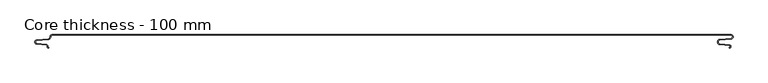
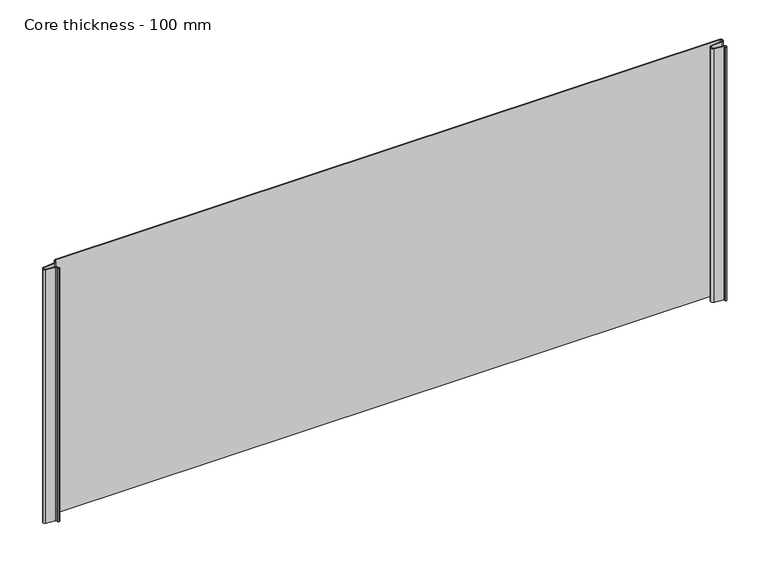
"""IFC4 building model written with IfcOpenShell, lengths in millimetres: plate geometry, Core thickness - 100 mm."""

from ifc_helpers import new_model, si_unit, frame, origin, place, context, project, spatial, polyline, circle_curve, source, transform, mapped, element, save
from ifc_brep_helpers import plane_surface, cylinder_surface, revolved_surface, advanced_brep


def core_thickness_100_mm_7fa5a5c6(model_context):
    return source(origin(), model_context, "Body", "AdvancedBrep", [
        advanced_brep(
        [(-474.8000005, -0.8003051, 0.0), (-477.1942726, -3.3660185, 0.0), (-480.1779769, -6.8790665, 0.0), (-497.1334653, -8.5415667, 0.0), (-499.1999998, -10.8223285, 0.0), (-497.1334653, -13.1030903, 0.0), (-483.5415123, -14.4357929, 0.0), (-481.1952279, -17.0233841, 0.0), (-481.1952279, -18.1003051, 0.0), (-480.5952279, -18.7003051, 0.0), (-479.4952279, -18.7003051, 0.0), (-479.4952279, -19.5003051, 0.0), (-480.5952279, -19.5003051, 0.0), (-481.9952279, -18.1003051, 0.0), (-481.9952279, -17.0233841, 0.0), (-483.6195786, -15.2319748, 0.0), (-497.2115316, -13.8992722, 0.0), (-500.0, -10.8223285, 0.0), (-497.2115316, -7.7453847, 0.0), (-480.2560432, -6.0828846, 0.0), (-478.005967, -3.4221979, 0.0), (-474.8000005, -0.0003051, 0.0), (516.0099318, -0.0003051, 0.0), (516.3124388, -6.18551, 0.0), (499.8171831, -7.802884, 0.0), (497.1101218, -10.8223285, 0.0), (499.8171831, -13.8417729, 0.0), (513.9489034, -15.2274002, 0.0), (513.734221, -19.6169005, 0.0), (513.734221, -18.8169005, 0.0), (513.8708371, -16.0235822, 0.0), (499.7391168, -14.6379549, 0.0), (496.3100818, -10.8223285, 0.0), (499.7391168, -7.0067021, 0.0), (516.2343725, -5.3893281, 0.0), (516.0099318, -0.8003051, 0.0), (-474.8000005, -0.8, 400.0), (516.0099318, -0.8, 400.0), (516.2343725, -5.3893281, 400.0), (499.7391168, -7.0067021, 400.0), (496.3100818, -10.8223285, 400.0), (499.7391168, -14.6379549, 400.0), (513.8708371, -16.0235822, 400.0), (513.734221, -18.8169005, 400.0), (513.734221, -19.6169005, 400.0), (513.9489034, -15.2274002, 400.0), (499.8171831, -13.8417729, 400.0), (497.1101218, -10.8223285, 400.0), (499.8171831, -7.802884, 400.0), (516.3124388, -6.18551, 400.0), (516.0099318, -0.0003051, 400.0), (-474.8000005, -0.0003051, 400.0), (-477.9923633, -3.4212563, 400.0), (-480.2560432, -6.0828846, 400.0), (-497.2115316, -7.7453847, 400.0), (-500.0, -10.8223285, 400.0), (-497.2115316, -13.8992722, 400.0), (-483.6195786, -15.2319748, 400.0), (-481.9952279, -17.0233841, 400.0), (-481.9952279, -18.1003051, 400.0), (-480.5952279, -19.5003051, 400.0), (-479.4952279, -19.5003051, 400.0), (-479.4952279, -18.7003051, 400.0), (-480.5952279, -18.7003051, 400.0), (-481.1952279, -18.1003051, 400.0), (-481.1952279, -17.0233841, 400.0), (-483.5415123, -14.4357929, 400.0), (-497.1334653, -13.1030903, 400.0), (-499.1999998, -10.8223285, 400.0), (-497.1334653, -8.5415667, 400.0), (-480.1779769, -6.8790665, 400.0), (-477.2078763, -3.3669601, 400.0)],
        [
            (0, 1, circle_curve(frame((-474.8000005, -3.2003051, 0.0), z_axis=(0.0, 0.0, 1.0), x_axis=(1.0, 0.0, 0.0)), 2.4)),
            (1, 2, circle_curve(frame((-480.5000005, -3.5948161, 0.0), z_axis=(0.0, 0.0, -1.0), x_axis=(1.0, 0.0, 0.0)), 3.3)),
            (2, 3),
            (3, 4, circle_curve(frame((-496.9100005, -10.8206374, 0.0), z_axis=(0.0, 0.0, 1.0), x_axis=(1.0, 0.0, 0.0)), 2.29)),
            (4, 5, circle_curve(frame((-496.9100005, -10.8240195, 0.0), z_axis=(0.0, 0.0, 1.0), x_axis=(1.0, 0.0, 0.0)), 2.29)),
            (5, 6),
            (6, 7, circle_curve(frame((-483.7952279, -17.0233841, 0.0), z_axis=(0.0, 0.0, -1.0), x_axis=(1.0, 0.0, 0.0)), 2.6)),
            (7, 8),
            (8, 9, circle_curve(frame((-480.5952279, -18.1003051, 0.0), z_axis=(0.0, 0.0, 1.0), x_axis=(1.0, 0.0, 0.0)), 0.6)),
            (9, 10),
            (10, 11),
            (11, 12),
            (12, 13, circle_curve(frame((-480.5952279, -18.1003051, 0.0), z_axis=(0.0, 0.0, -1.0), x_axis=(1.0, 0.0, 0.0)), 1.4)),
            (13, 14),
            (14, 15, circle_curve(frame((-483.7952279, -17.0233841, 0.0), z_axis=(0.0, 0.0, 1.0), x_axis=(1.0, 0.0, 0.0)), 1.8)),
            (15, 16),
            (16, 17, circle_curve(frame((-496.9100005, -10.8240195, 0.0), z_axis=(0.0, 0.0, -1.0), x_axis=(1.0, 0.0, 0.0)), 3.09)),
            (17, 18, circle_curve(frame((-496.9100005, -10.8206374, 0.0), z_axis=(0.0, 0.0, -1.0), x_axis=(1.0, 0.0, 0.0)), 3.09)),
            (18, 19),
            (19, 20, circle_curve(frame((-480.5000005, -3.5948161, 0.0), z_axis=(0.0, 0.0, 1.0), x_axis=(1.0, 0.0, 0.0)), 2.5)),
            (20, 21, circle_curve(frame((-474.8000005, -3.2003051, 0.0), z_axis=(0.0, 0.0, -1.0), x_axis=(1.0, 0.0, 0.0)), 3.2)),
            (21, 22),
            (22, 23, circle_curve(frame((516.0099318, -3.1003051, 0.0), z_axis=(0.0, 0.0, -1.0), x_axis=(1.0, 0.0, 0.0)), 3.1)),
            (23, 24),
            (24, 25, circle_curve(frame((500.1099318, -10.7885662, 0.0), z_axis=(0.0, 0.0, 1.0), x_axis=(1.0, 0.0, 0.0)), 3.0)),
            (25, 26, circle_curve(frame((500.1099318, -10.8560907, 0.0), z_axis=(0.0, 0.0, 1.0), x_axis=(1.0, 0.0, 0.0)), 3.0)),
            (26, 27),
            (27, 28, circle_curve(frame((513.734221, -17.4169005, 0.0), z_axis=(0.0, 0.0, -1.0), x_axis=(1.0, 0.0, 0.0)), 2.2)),
            (28, 29),
            (29, 30, circle_curve(frame((513.734221, -17.4169005, 0.0), z_axis=(0.0, 0.0, 1.0), x_axis=(1.0, 0.0, 0.0)), 1.4)),
            (30, 31),
            (31, 32, circle_curve(frame((500.1099318, -10.8560907, 0.0), z_axis=(0.0, 0.0, -1.0), x_axis=(1.0, 0.0, 0.0)), 3.8)),
            (32, 33, circle_curve(frame((500.1099318, -10.7885662, 0.0), z_axis=(0.0, 0.0, -1.0), x_axis=(1.0, 0.0, 0.0)), 3.8)),
            (33, 34),
            (34, 35, circle_curve(frame((516.0099318, -3.1003051, 0.0), z_axis=(0.0, 0.0, 1.0), x_axis=(1.0, 0.0, 0.0)), 2.3)),
            (35, 0),
            (36, 37),
            (37, 38, circle_curve(frame((516.0099318, -3.1003051, 400.0), z_axis=(0.0, 0.0, -1.0), x_axis=(1.0, 0.0, 0.0)), 2.3)),
            (38, 39),
            (39, 40, circle_curve(frame((500.1099318, -10.7885662, 400.0), z_axis=(0.0, 0.0, 1.0), x_axis=(1.0, 0.0, 0.0)), 3.8)),
            (40, 41, circle_curve(frame((500.1099318, -10.8560907, 400.0), z_axis=(0.0, 0.0, 1.0), x_axis=(1.0, 0.0, 0.0)), 3.8)),
            (41, 42),
            (42, 43, circle_curve(frame((513.734221, -17.4169005, 400.0), z_axis=(0.0, 0.0, -1.0), x_axis=(1.0, 0.0, 0.0)), 1.4)),
            (43, 44),
            (44, 45, circle_curve(frame((513.734221, -17.4169005, 400.0), z_axis=(0.0, 0.0, 1.0), x_axis=(1.0, 0.0, 0.0)), 2.2)),
            (45, 46),
            (46, 47, circle_curve(frame((500.1099318, -10.8560907, 400.0), z_axis=(0.0, 0.0, -1.0), x_axis=(1.0, 0.0, 0.0)), 3.0)),
            (47, 48, circle_curve(frame((500.1099318, -10.7885662, 400.0), z_axis=(0.0, 0.0, -1.0), x_axis=(1.0, 0.0, 0.0)), 3.0)),
            (48, 49),
            (49, 50, circle_curve(frame((516.0099318, -3.1003051, 400.0), z_axis=(0.0, 0.0, 1.0), x_axis=(1.0, 0.0, 0.0)), 3.1)),
            (50, 51),
            (51, 52, circle_curve(frame((-474.8000005, -3.2003051, 400.0), z_axis=(0.0, 0.0, 1.0), x_axis=(1.0, 0.0, 0.0)), 3.2)),
            (52, 53, circle_curve(frame((-480.5000005, -3.5948161, 400.0), z_axis=(0.0, 0.0, -1.0), x_axis=(1.0, 0.0, 0.0)), 2.5)),
            (53, 54),
            (54, 55, circle_curve(frame((-496.9100005, -10.8206374, 400.0), z_axis=(0.0, 0.0, 1.0), x_axis=(1.0, 0.0, 0.0)), 3.09)),
            (55, 56, circle_curve(frame((-496.9100005, -10.8240195, 400.0), z_axis=(0.0, 0.0, 1.0), x_axis=(1.0, 0.0, 0.0)), 3.09)),
            (56, 57),
            (57, 58, circle_curve(frame((-483.7952279, -17.0233841, 400.0), z_axis=(0.0, 0.0, -1.0), x_axis=(1.0, 0.0, 0.0)), 1.8)),
            (58, 59),
            (59, 60, circle_curve(frame((-480.5952279, -18.1003051, 400.0), z_axis=(0.0, 0.0, 1.0), x_axis=(1.0, 0.0, 0.0)), 1.4)),
            (60, 61),
            (61, 62),
            (62, 63),
            (63, 64, circle_curve(frame((-480.5952279, -18.1003051, 400.0), z_axis=(0.0, 0.0, -1.0), x_axis=(1.0, 0.0, 0.0)), 0.6)),
            (64, 65),
            (65, 66, circle_curve(frame((-483.7952279, -17.0233841, 400.0), z_axis=(0.0, 0.0, 1.0), x_axis=(1.0, 0.0, 0.0)), 2.6)),
            (66, 67),
            (67, 68, circle_curve(frame((-496.9100005, -10.8240195, 400.0), z_axis=(0.0, 0.0, -1.0), x_axis=(1.0, 0.0, 0.0)), 2.29)),
            (68, 69, circle_curve(frame((-496.9100005, -10.8206374, 400.0), z_axis=(0.0, 0.0, -1.0), x_axis=(1.0, 0.0, 0.0)), 2.29)),
            (69, 70),
            (70, 71, circle_curve(frame((-480.5000005, -3.5948161, 400.0), z_axis=(0.0, 0.0, 1.0), x_axis=(1.0, 0.0, 0.0)), 3.3)),
            (71, 36, circle_curve(frame((-474.8000005, -3.2003051, 400.0), z_axis=(0.0, 0.0, -1.0), x_axis=(1.0, 0.0, 0.0)), 2.4)),
            (35, 37),
            (36, 0),
            (71, 1),
            (70, 2),
            (69, 3),
            (68, 4),
            (67, 5),
            (66, 6),
            (65, 7),
            (64, 8),
            (63, 9),
            (62, 10),
            (61, 11),
            (60, 12),
            (59, 13),
            (58, 14),
            (57, 15),
            (56, 16),
            (55, 17),
            (54, 18),
            (53, 19),
            (52, 20),
            (51, 21),
            (50, 22),
            (49, 23),
            (48, 24),
            (47, 25),
            (46, 26),
            (45, 27),
            (44, 28),
            (43, 29),
            (42, 30),
            (41, 31),
            (40, 32),
            (39, 33),
            (38, 34),
        ],
        [
            plane_surface(frame((-500.0, 0.0, 0.0), z_axis=(0.0, 0.0, -1.0), x_axis=(0.0, -1.0, 0.0))),
            plane_surface(frame((-500.0, 0.0, 400.0), z_axis=(0.0, 0.0, 1.0), x_axis=(0.0, -1.0, 0.0))),
            plane_surface(frame((516.0099318, -0.8, 0.0), z_axis=(0.0, -1.0, 0.0), x_axis=(0.0, 0.0, 1.0))),
            revolved_surface(polyline([(-472.40000050000003, -3.2003051, 400.0), (-472.40000050000003, -3.2003051, 0.0)]), (-474.8000005, -3.2003051, 0.0), (0.0, 0.0, 1.0)),
            cylinder_surface(frame((-480.5000005, -3.5948161, 0.0), z_axis=(0.0, 0.0, -1.0), x_axis=(1.0, 0.0, 0.0)), 3.3),
            plane_surface(frame((-480.1779769, -6.8790665, 0.0), z_axis=(0.09758289975914114, -0.9952273999818321, 0.0), x_axis=(0.0, 0.0, 1.0))),
            revolved_surface(polyline([(-494.6200005, -10.8206374, 400.0), (-494.6200005, -10.8206374, 0.0)]), (-496.9100005, -10.8206374, 0.0), (0.0, 0.0, 1.0)),
            revolved_surface(polyline([(-494.6200005, -10.8240195, 400.0), (-494.6200005, -10.8240195, 0.0)]), (-496.9100005, -10.8240195, 0.0), (0.0, 0.0, 1.0)),
            plane_surface(frame((-497.1334653, -13.1030903, 0.0), z_axis=(0.09758289975915029, 0.9952273999818312, 0.0), x_axis=(0.0, 0.0, 1.0))),
            cylinder_surface(frame((-483.7952279, -17.0233841, 0.0), z_axis=(0.0, 0.0, -1.0), x_axis=(1.0, 0.0, 0.0)), 2.6),
            plane_surface(frame((-481.1952279, -17.0233841, 0.0), z_axis=(1.0, 0.0, 0.0), x_axis=(0.0, 0.0, 1.0))),
            revolved_surface(polyline([(-479.9952279, -18.1003051, 400.0), (-479.9952279, -18.1003051, 0.0)]), (-480.5952279, -18.1003051, 0.0), (0.0, 0.0, 1.0)),
            plane_surface(frame((-480.5952279, -18.7003051, 0.0), z_axis=(0.0, 1.0, 0.0), x_axis=(0.0, 0.0, 1.0))),
            plane_surface(frame((-479.4952279, -18.7003051, 0.0), z_axis=(1.0, 0.0, 0.0), x_axis=(0.0, 0.0, 1.0))),
            plane_surface(frame((-479.4952279, -19.5003051, 0.0), z_axis=(0.0, -1.0, 0.0), x_axis=(0.0, 0.0, 1.0))),
            cylinder_surface(frame((-480.5952279, -18.1003051, 0.0), z_axis=(0.0, 0.0, -1.0), x_axis=(1.0, 0.0, 0.0)), 1.4),
            plane_surface(frame((-481.9952279, -18.1003051, 0.0), z_axis=(-1.0, 0.0, 0.0), x_axis=(0.0, 0.0, 1.0))),
            revolved_surface(polyline([(-481.9952279, -17.0233841, 400.0), (-481.9952279, -17.0233841, 0.0)]), (-483.7952279, -17.0233841, 0.0), (0.0, 0.0, 1.0)),
            plane_surface(frame((-483.6195786, -15.2319748, 0.0), z_axis=(-0.09758289975915033, -0.9952273999818312, 0.0), x_axis=(0.0, 0.0, 1.0))),
            cylinder_surface(frame((-496.9100005, -10.8240195, 0.0), z_axis=(0.0, 0.0, -1.0), x_axis=(1.0, 0.0, 0.0)), 3.09),
            cylinder_surface(frame((-496.9100005, -10.8206374, 0.0), z_axis=(0.0, 0.0, -1.0), x_axis=(1.0, 0.0, 0.0)), 3.09),
            plane_surface(frame((-497.2115316, -7.7453847, 0.0), z_axis=(-0.09758289975914118, 0.9952273999818321, 0.0), x_axis=(0.0, 0.0, 1.0))),
            revolved_surface(polyline([(-478.0000005, -3.5948161, 400.0), (-478.0000005, -3.5948161, 0.0)]), (-480.5000005, -3.5948161, 0.0), (0.0, 0.0, 1.0)),
            cylinder_surface(frame((-474.8000005, -3.2003051, 0.0), z_axis=(0.0, 0.0, -1.0), x_axis=(1.0, 0.0, 0.0)), 3.2),
            plane_surface(frame((-474.8000005, -0.0003051, 0.0), z_axis=(0.0, 1.0, 0.0), x_axis=(0.0, 0.0, 1.0))),
            cylinder_surface(frame((516.0099318, -3.1003051, 0.0), z_axis=(0.0, 0.0, -1.0), x_axis=(1.0, 0.0, 0.0)), 3.1),
            plane_surface(frame((516.3124388, -6.18551, 0.0), z_axis=(0.09758289975914465, -0.9952273999818317, 0.0), x_axis=(0.0, 0.0, 1.0))),
            revolved_surface(polyline([(503.1099318, -10.7885662, 400.0), (503.1099318, -10.7885662, 0.0)]), (500.1099318, -10.7885662, 0.0), (0.0, 0.0, 1.0)),
            revolved_surface(polyline([(503.1099318, -10.8560907, 400.0), (503.1099318, -10.8560907, 0.0)]), (500.1099318, -10.8560907, 0.0), (0.0, 0.0, 1.0)),
            plane_surface(frame((499.8171831, -13.8417729, 0.0), z_axis=(0.0975828997591685, 0.9952273999818294, 0.0), x_axis=(0.0, 0.0, 1.0))),
            cylinder_surface(frame((513.734221, -17.4169005, 0.0), z_axis=(0.0, 0.0, -1.0), x_axis=(1.0, 0.0, 0.0)), 2.2),
            plane_surface(frame((513.734221, -19.6169005, 0.0), z_axis=(-1.0, 0.0, 0.0), x_axis=(0.0, 0.0, 1.0))),
            revolved_surface(polyline([(515.134221, -17.4169005, 400.0), (515.134221, -17.4169005, 0.0)]), (513.734221, -17.4169005, 0.0), (0.0, 0.0, 1.0)),
            plane_surface(frame((513.8708371, -16.0235822, 0.0), z_axis=(-0.09758289975916853, -0.9952273999818294, 0.0), x_axis=(0.0, 0.0, 1.0))),
            cylinder_surface(frame((500.1099318, -10.8560907, 0.0), z_axis=(0.0, 0.0, -1.0), x_axis=(1.0, 0.0, 0.0)), 3.8),
            cylinder_surface(frame((500.1099318, -10.7885662, 0.0), z_axis=(0.0, 0.0, -1.0), x_axis=(1.0, 0.0, 0.0)), 3.8),
            plane_surface(frame((499.7391168, -7.0067021, 0.0), z_axis=(-0.09758289975914465, 0.9952273999818317, 0.0), x_axis=(0.0, 0.0, 1.0))),
            revolved_surface(polyline([(518.3099318, -3.1003051, 400.0), (518.3099318, -3.1003051, 0.0)]), (516.0099318, -3.1003051, 0.0), (0.0, 0.0, 1.0)),
        ],
        [
            (0, [[1, 2, 3, 4, 5, 6, 7, 8, 9, 10, 11, 12, 13, 14, 15, 16, 17, 18, 19, 20, 21, 22, 23, 24, 25, 26, 27, 28, 29, 30, 31, 32, 33, 34, 35, 36]]),
            (1, [[37, 38, 39, 40, 41, 42, 43, 44, 45, 46, 47, 48, 49, 50, 51, 52, 53, 54, 55, 56, 57, 58, 59, 60, 61, 62, 63, 64, 65, 66, 67, 68, 69, 70, 71, 72]]),
            (2, [[-36, 73, -37, 74]]),
            (3, [[-1, -74, -72, 75]]),
            (4, [[-2, -75, -71, 76]]),
            (5, [[-3, -76, -70, 77]]),
            (6, [[-4, -77, -69, 78]]),
            (7, [[-5, -78, -68, 79]]),
            (8, [[-6, -79, -67, 80]]),
            (9, [[-7, -80, -66, 81]]),
            (10, [[-8, -81, -65, 82]]),
            (11, [[-9, -82, -64, 83]]),
            (12, [[-10, -83, -63, 84]]),
            (13, [[-11, -84, -62, 85]]),
            (14, [[-12, -85, -61, 86]]),
            (15, [[-13, -86, -60, 87]]),
            (16, [[-14, -87, -59, 88]]),
            (17, [[-15, -88, -58, 89]]),
            (18, [[-16, -89, -57, 90]]),
            (19, [[-17, -90, -56, 91]]),
            (20, [[-18, -91, -55, 92]]),
            (21, [[-19, -92, -54, 93]]),
            (22, [[-20, -93, -53, 94]]),
            (23, [[-21, -94, -52, 95]]),
            (24, [[-22, -95, -51, 96]]),
            (25, [[-23, -96, -50, 97]]),
            (26, [[-24, -97, -49, 98]]),
            (27, [[-25, -98, -48, 99]]),
            (28, [[-26, -99, -47, 100]]),
            (29, [[-27, -100, -46, 101]]),
            (30, [[-28, -101, -45, 102]]),
            (31, [[-29, -102, -44, 103]]),
            (32, [[-30, -103, -43, 104]]),
            (33, [[-31, -104, -42, 105]]),
            (34, [[-32, -105, -41, 106]]),
            (35, [[-33, -106, -40, 107]]),
            (36, [[-34, -107, -39, 108]]),
            (37, [[-35, -108, -38, -73]]),
        ],
    ),
    ])


if __name__ == "__main__":
    model = new_model("IFC4")
    model_context = context("Model", 3, world=origin())
    ifc_project = project(units=[si_unit("LENGTHUNIT", "METRE", prefix="MILLI")], contexts=[model_context])
    site = spatial("IfcSite", under=ifc_project)
    building = spatial("IfcBuilding", under=site)
    placement = place(None, origin())
    core_thickness_100_mm_shape = core_thickness_100_mm_7fa5a5c6(model_context)
    element("IfcPlate", 1, ObjectType="Core thickness - 100 mm", at=placement, inside=building, context=model_context, shape_type="MappedRepresentation", body=[
        mapped(core_thickness_100_mm_shape, transform((0.0, 0.0, 0.0), x_axis=(1.0, 0.0, 0.0), y_axis=(0.0, 1.0, 0.0), z_axis=(0.0, 0.0, 1.0))),
    ])
    save(model, "model.ifc")
